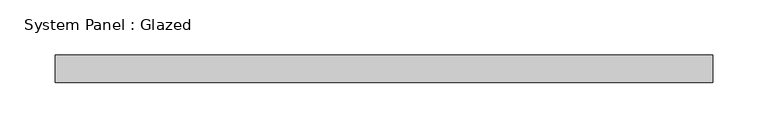
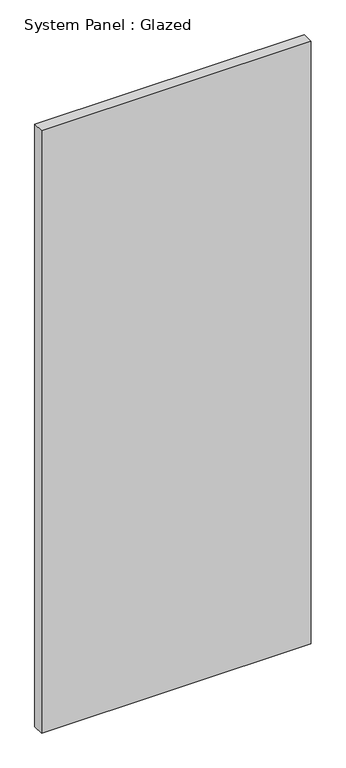
"""IFC4 building model written with IfcOpenShell, lengths in millimetres: plate geometry, System Panel : Glazed."""

from ifc_helpers import new_model, si_unit, origin, origin_with_axes, place, context, project, spatial, polyline, outline, extrude, source, transform, mapped, element, save


def system_panel_glazed_ead659ae(model_context):
    return source(origin(), model_context, "Body", "SweptSolid", [
        extrude(outline(polyline([(298.846875, -44.45), (-298.846875, -44.45), (-298.846875, -19.05), (298.846875, -19.05), (298.846875, -44.45)])), origin_with_axes(), (0.0, 0.0, 1.0), 1409.7),
    ])


if __name__ == "__main__":
    model = new_model("IFC4")
    model_context = context("Model", 3, world=origin())
    ifc_project = project(units=[si_unit("LENGTHUNIT", "METRE", prefix="MILLI")], contexts=[model_context])
    site = spatial("IfcSite", under=ifc_project)
    building = spatial("IfcBuilding", under=site)
    placement = place(None, origin())
    system_panel_glazed_shape = system_panel_glazed_ead659ae(model_context)
    element("IfcPlate", 1, ObjectType="System Panel : Glazed", at=placement, inside=building, context=model_context, shape_type="MappedRepresentation", body=[
        mapped(system_panel_glazed_shape, transform((0.0, 0.0, 0.0), x_axis=(1.0, 0.0, 0.0), y_axis=(0.0, 1.0, 0.0), z_axis=(0.0, 0.0, 1.0))),
    ])
    save(model, "model.ifc")
